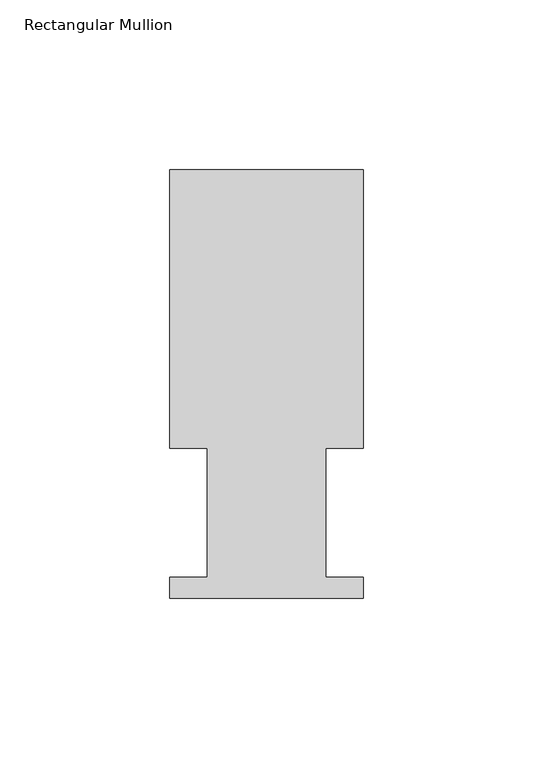
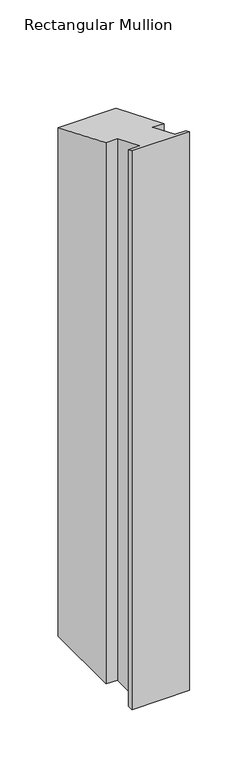
"""IFC4 building model written with IfcOpenShell, lengths in millimetres: member geometry, Rectangular Mullion."""

from ifc_helpers import new_model, si_unit, origin, place, context, project, spatial, faceted_brep, source, transform, mapped, element, save


def rectangular_mullion_bb0c1e7a(model_context):
    return source(origin(), model_context, "Body", "Brep", [
        faceted_brep([(0.0, 126.619, -584.352387), (0.0, 44.45, -584.352387), (-11.1120704, 44.45, -584.352387), (-11.1120704, 6.35, -584.352387), (0.0, 6.35, -584.352387), (0.0, 0.2798837, -584.352387), (-57.15, 0.2798837, -584.352387), (-57.15, 6.35, -584.352387), (-46.0370705, 6.35, -584.352387), (-46.0370705, 44.45, -584.352387), (-57.15, 44.45, -584.352387), (-57.15, 126.619, -584.352387), (-57.15, 126.619, -52.4473071), (0.0, 126.619, -52.4473071), (-57.15, 44.45, -18.4117928), (-46.0370705, 44.45, -18.4117928), (-46.0370705, 6.35, -2.6302561), (-57.15, 6.35, -2.6302561), (-57.15, 0.2798837, -0.1159316), (0.0, 0.2798837, -0.1159316), (0.0, 6.35, -2.6302561), (-11.1120704, 6.35, -2.6302561), (-11.1120704, 44.45, -18.4117928), (0.0, 44.45, -18.4117928)], [[[0, 1, 2, 3, 4, 5, 6, 7, 8, 9, 10, 11]], [[12, 13, 0, 11]], [[14, 12, 11, 10]], [[15, 14, 10, 9]], [[16, 15, 9, 8]], [[17, 16, 8, 7]], [[18, 17, 7, 6]], [[19, 18, 6, 5]], [[20, 19, 5, 4]], [[21, 20, 4, 3]], [[22, 21, 3, 2]], [[23, 22, 2, 1]], [[13, 23, 1, 0]], [[13, 12, 14, 15, 16, 17, 18, 19, 20, 21, 22, 23]]]),
    ])


if __name__ == "__main__":
    model = new_model("IFC4")
    model_context = context("Model", 3, world=origin())
    ifc_project = project(units=[si_unit("LENGTHUNIT", "METRE", prefix="MILLI")], contexts=[model_context])
    site = spatial("IfcSite", under=ifc_project)
    building = spatial("IfcBuilding", under=site)
    placement = place(None, origin())
    rectangular_mullion_shape = rectangular_mullion_bb0c1e7a(model_context)
    element("IfcMember", 1, ObjectType="Rectangular Mullion", at=placement, inside=building, context=model_context, shape_type="MappedRepresentation", body=[
        mapped(rectangular_mullion_shape, transform((0.0, 0.0, 0.0), x_axis=(1.0, 0.0, 0.0), y_axis=(0.0, 1.0, 0.0), z_axis=(0.0, 0.0, 1.0))),
    ])
    save(model, "model.ifc")
